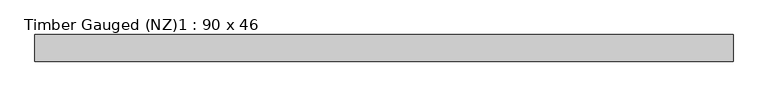
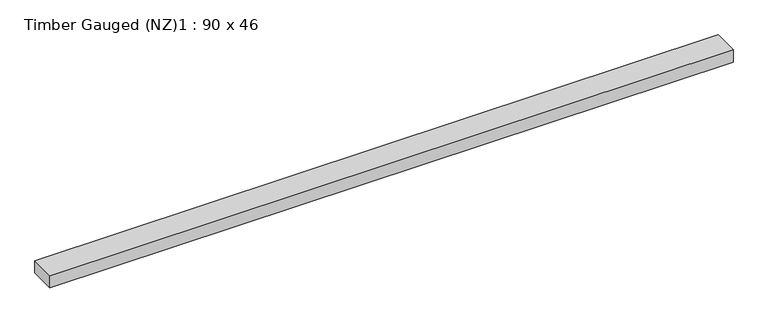
"""IFC4 building model written with IfcOpenShell, lengths in millimetres: beam geometry, Timber Gauged (NZ)1 : 90 x 46."""

from ifc_helpers import new_model, si_unit, frame, origin, place, context, project, spatial, polyline, outline, extrude, source, transform, mapped, element, save


def timber_gauged_nz_1_90_x_46_53651bef(model_context):
    return source(origin(), model_context, "Body", "SweptSolid", [
        extrude(outline(polyline([(1180.7207809, 45.0), (1180.7207809, -45.0), (-1180.7207809, -45.0), (-1180.7207809, 45.0), (1180.7207809, 45.0)])), frame((0.0, 0.0, -22.5), z_axis=(0.0, 0.0, 1.0), x_axis=(1.0, 0.0, 0.0)), (0.0, 0.0, 1.0), 45.0),
    ])


if __name__ == "__main__":
    model = new_model("IFC4")
    model_context = context("Model", 3, world=origin())
    ifc_project = project(units=[si_unit("LENGTHUNIT", "METRE", prefix="MILLI")], contexts=[model_context])
    site = spatial("IfcSite", under=ifc_project)
    building = spatial("IfcBuilding", under=site)
    placement = place(None, origin())
    timber_gauged_nz_1_90_x_46_shape = timber_gauged_nz_1_90_x_46_53651bef(model_context)
    element("IfcBeam", 1, ObjectType="Timber Gauged (NZ)1 : 90 x 46", at=placement, inside=building, context=model_context, shape_type="MappedRepresentation", body=[
        mapped(timber_gauged_nz_1_90_x_46_shape, transform((0.0, 0.0, 0.0), x_axis=(1.0, 0.0, 0.0), y_axis=(0.0, 1.0, 0.0), z_axis=(0.0, 0.0, 1.0))),
    ])
    save(model, "model.ifc")
